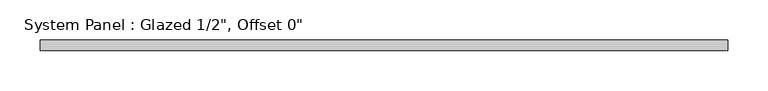
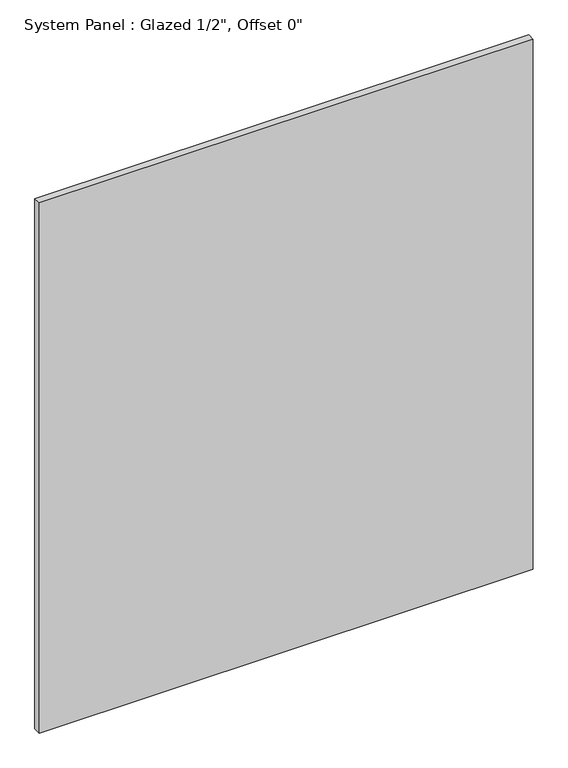
"""IFC4 building model written with IfcOpenShell, lengths in millimetres: plate geometry."""

from ifc_helpers import new_model, si_unit, origin, origin_with_axes, place, context, project, spatial, polyline, outline, extrude, source, transform, mapped, element, save


def plate_71163e11(model_context):
    return source(origin(), model_context, "Body", "SweptSolid", [
        extrude(outline(polyline([(425.45, -6.35), (-425.45, -6.35), (-425.45, 6.35), (425.45, 6.35), (425.45, -6.35)])), origin_with_axes(), (0.0, 0.0, 1.0), 965.2),
    ])


if __name__ == "__main__":
    model = new_model("IFC4")
    model_context = context("Model", 3, world=origin())
    ifc_project = project(units=[si_unit("LENGTHUNIT", "METRE", prefix="MILLI")], contexts=[model_context])
    site = spatial("IfcSite", under=ifc_project)
    building = spatial("IfcBuilding", under=site)
    placement = place(None, origin())
    plate_shape = plate_71163e11(model_context)
    element("IfcPlate", 1, ObjectType="System Panel : Glazed 1/2\", Offset 0\"", at=placement, inside=building, context=model_context, shape_type="MappedRepresentation", body=[
        mapped(plate_shape, transform((0.0, 0.0, 0.0), x_axis=(1.0, 0.0, 0.0), y_axis=(0.0, 1.0, 0.0), z_axis=(0.0, 0.0, 1.0))),
    ])
    save(model, "model.ifc")
